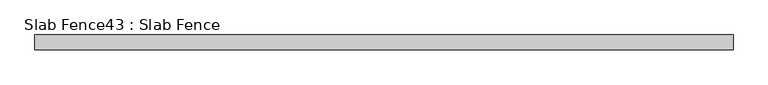
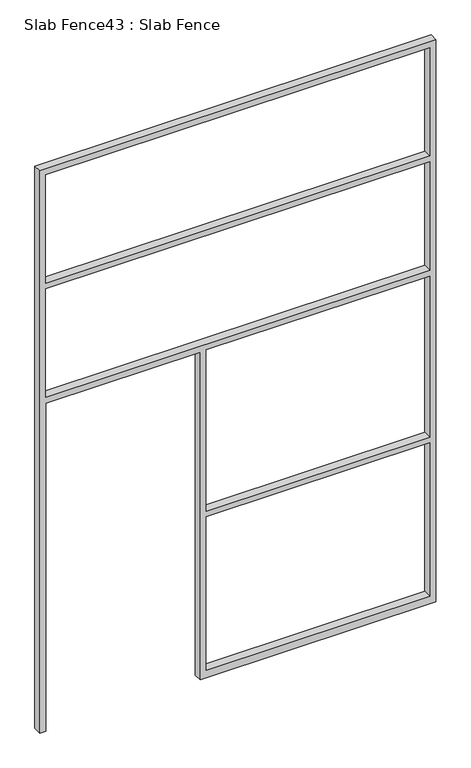
"""IFC4 building model written with IfcOpenShell, lengths in millimetres: proxy geometry, Slab Fence43 : Slab Fence."""

from ifc_helpers import new_model, si_unit, frame, origin, place, context, project, spatial, polyline, outline, extrude, source, transform, mapped, element, save


def slab_fence43_slab_fence_1f3430a4(model_context):
    return source(origin(), model_context, "Body", "SweptSolid", [
        extrude(outline(polyline([(3657.6, 47139.2151795), (0.0, 47139.2151795), (0.0, 47177.3151795), (2133.6, 47177.3151795), (2133.6, 48126.6401795), (0.0, 48126.6401795), (0.0, 48164.7401795), (0.0, 49577.6151795), (3657.6, 49577.6151795), (3657.6, 47139.2151795)]), holes=[polyline([(2876.55, 47177.3151795), (2876.55, 49539.5151795), (2171.7, 49539.5151795), (2171.7, 47177.3151795), (2876.55, 47177.3151795)]), polyline([(3619.5, 49539.5151795), (2914.65, 49539.5151795), (2914.65, 47177.3151795), (3619.5, 47177.3151795), (3619.5, 49539.5151795)]), polyline([(1085.85, 48164.7401795), (2133.6, 48164.7401795), (2133.6, 49539.5151795), (1085.85, 49539.5151795), (1085.85, 48164.7401795)]), polyline([(1047.75, 49539.5151795), (50.8, 49539.5151795), (50.8, 48164.7401795), (1047.75, 48164.7401795), (1047.75, 49539.5151795)])]), frame((0.0, 19806.666085, 0.0), z_axis=(0.0, 1.0, 0.0), x_axis=(0.0, 0.0, 1.0)), (0.0, 0.0, 1.0), 52.001598),
    ])


if __name__ == "__main__":
    model = new_model("IFC4")
    model_context = context("Model", 3, world=origin())
    ifc_project = project(units=[si_unit("LENGTHUNIT", "METRE", prefix="MILLI")], contexts=[model_context])
    site = spatial("IfcSite", under=ifc_project)
    building = spatial("IfcBuilding", under=site)
    placement = place(None, origin())
    slab_fence43_slab_fence_shape = slab_fence43_slab_fence_1f3430a4(model_context)
    element("IfcBuildingElementProxy", 1, Name="Slab Fence43 : Slab Fence", ObjectType="Slab Fence43 : Slab Fence", at=placement, inside=building, context=model_context, shape_type="MappedRepresentation", body=[
        mapped(slab_fence43_slab_fence_shape, transform((0.0, 0.0, 0.0), x_axis=(1.0, 0.0, 0.0), y_axis=(0.0, 1.0, 0.0), z_axis=(0.0, 0.0, 1.0))),
    ])
    save(model, "model.ifc")
